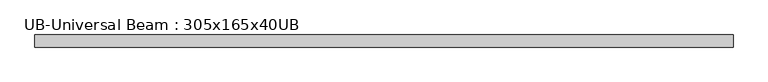
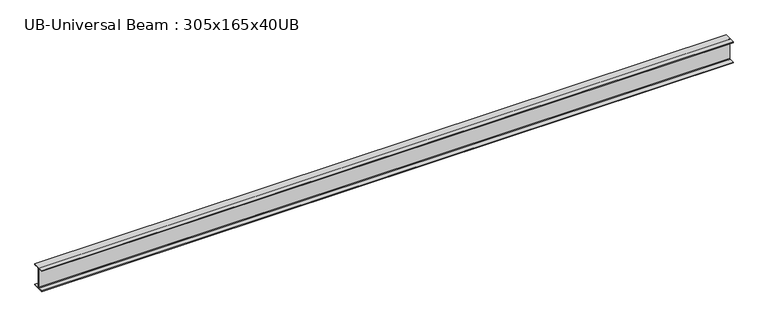
"""IFC4 building model written with IfcOpenShell, lengths in millimetres: beam geometry, UB-Universal Beam : 305x165x40UB."""

from ifc_helpers import new_model, si_unit, point, frame, frame_2d, origin, place, context, project, spatial, polyline, circle_curve, trimmed, segment, composite_curve, outline, extrude, source, transform, mapped, element, save


def ub_universal_beam_305x165x40ub_611f1180(model_context):
    return source(origin(), model_context, "Body", "SweptSolid", [
        extrude(outline(composite_curve([segment(polyline([(82.5, -141.5), (82.5, -151.7), (-82.5, -151.7), (-82.5, -141.5), (-11.9, -141.5)]), True, "CONTINUOUS"), segment(trimmed(circle_curve(frame_2d((-11.9, -132.6)), 8.9), [point((-11.9, -141.5))], [point((-3.0, -132.6))], True, "CARTESIAN"), True, "CONTINUOUS"), segment(polyline([(-3.0, -132.6), (-3.0, 132.6)]), True, "CONTINUOUS"), segment(trimmed(circle_curve(frame_2d((-11.9, 132.6)), 8.9), [point((-3.0, 132.6))], [point((-11.9, 141.5))], True, "CARTESIAN"), True, "CONTINUOUS"), segment(polyline([(-11.9, 141.5), (-82.5, 141.5), (-82.5, 151.7), (82.5, 151.7), (82.5, 141.5), (11.9, 141.5)]), True, "CONTINUOUS"), segment(trimmed(circle_curve(frame_2d((11.9, 132.6)), 8.9), [point((11.9, 141.5))], [point((3.0, 132.6))], True, "CARTESIAN"), True, "CONTINUOUS"), segment(polyline([(3.0, 132.6), (3.0, -132.6)]), True, "CONTINUOUS"), segment(trimmed(circle_curve(frame_2d((11.9, -132.6)), 8.9), [point((3.0, -132.6))], [point((11.9, -141.5))], True, "CARTESIAN"), True, "CONTINUOUS"), segment(polyline([(11.9, -141.5), (82.5, -141.5)]), True, "CONTINUOUS")], self_intersect=False)), frame((-4735.525, 0.0, 0.0), z_axis=(1.0, 0.0, 0.0), x_axis=(0.0, 1.0, 0.0)), (0.0, 0.0, 1.0), 9464.4),
    ])


if __name__ == "__main__":
    model = new_model("IFC4")
    model_context = context("Model", 3, world=origin())
    ifc_project = project(units=[si_unit("LENGTHUNIT", "METRE", prefix="MILLI")], contexts=[model_context])
    site = spatial("IfcSite", under=ifc_project)
    building = spatial("IfcBuilding", under=site)
    placement = place(None, origin())
    ub_universal_beam_305x165x40ub_shape = ub_universal_beam_305x165x40ub_611f1180(model_context)
    element("IfcBeam", 1, ObjectType="UB-Universal Beam : 305x165x40UB", at=placement, inside=building, context=model_context, shape_type="MappedRepresentation", body=[
        mapped(ub_universal_beam_305x165x40ub_shape, transform((0.0, 0.0, 0.0), x_axis=(1.0, 0.0, 0.0), y_axis=(0.0, 1.0, 0.0), z_axis=(0.0, 0.0, 1.0))),
    ])
    save(model, "model.ifc")
